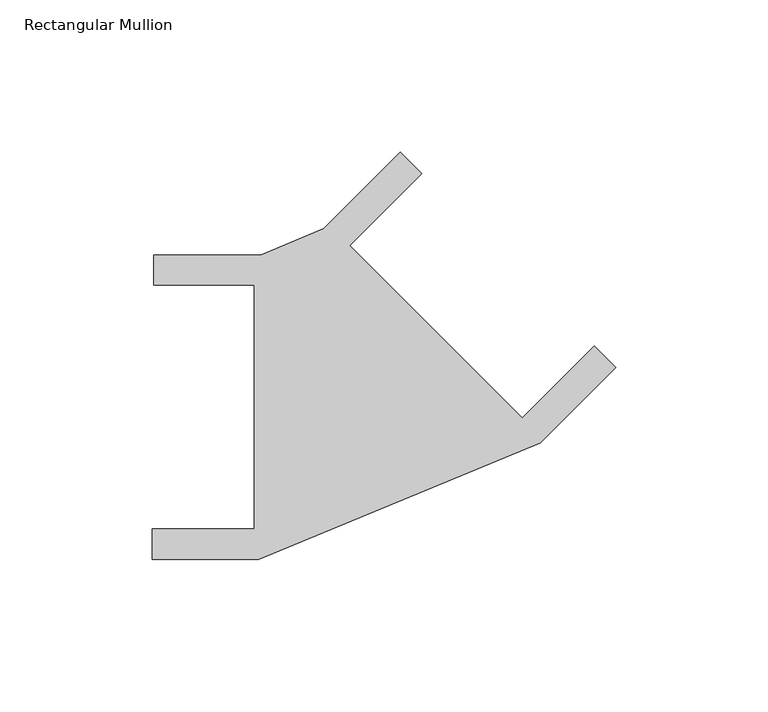
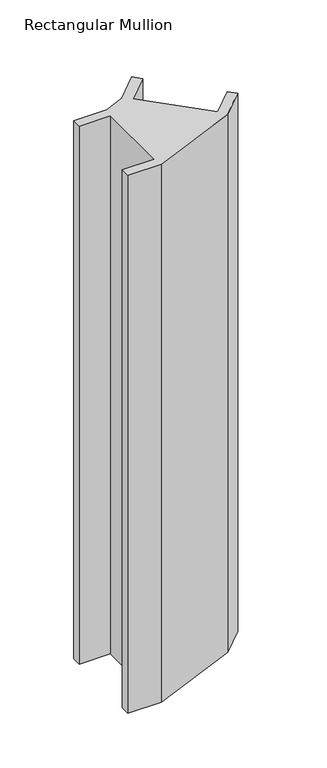
"""IFC4 building model written with IfcOpenShell, lengths in millimetres: member geometry, Rectangular Mullion."""

from ifc_helpers import new_model, si_unit, frame, origin, place, context, project, spatial, polyline, outline, extrude, source, transform, mapped, element, save


def rectangular_mullion_b9fb1f16(model_context):
    return source(origin(), model_context, "Body", "SweptSolid", [
        extrude(outline(polyline([(-151.604987, 50.0), (-116.604987, 50.0), (-95.8353867, 58.6030501), (-70.7106781, 83.7277587), (-63.6396103, 76.6566909), (-87.3276875, 52.9686137), (-30.759145, -3.5999288), (-7.0710678, 20.0881484), (0.0, 13.0170806), (-24.7487373, -11.7316568), (-117.1366906, -50.0), (-152.1366906, -50.0), (-152.1366906, -40.0), (-118.604987, -40.0), (-118.604987, 40.0), (-151.604987, 40.0), (-151.604987, 50.0)])), frame((0.0, 0.0, -600.0), z_axis=(0.0, 0.0, 1.0), x_axis=(1.0, 0.0, 0.0)), (0.0, 0.0, 1.0), 600.0),
    ])


if __name__ == "__main__":
    model = new_model("IFC4")
    model_context = context("Model", 3, world=origin())
    ifc_project = project(units=[si_unit("LENGTHUNIT", "METRE", prefix="MILLI")], contexts=[model_context])
    site = spatial("IfcSite", under=ifc_project)
    building = spatial("IfcBuilding", under=site)
    placement = place(None, origin())
    rectangular_mullion_shape = rectangular_mullion_b9fb1f16(model_context)
    element("IfcMember", 1, ObjectType="Rectangular Mullion", at=placement, inside=building, context=model_context, shape_type="MappedRepresentation", body=[
        mapped(rectangular_mullion_shape, transform((0.0, 0.0, 0.0), x_axis=(1.0, 0.0, 0.0), y_axis=(0.0, 1.0, 0.0), z_axis=(0.0, 0.0, 1.0))),
    ])
    save(model, "model.ifc")
